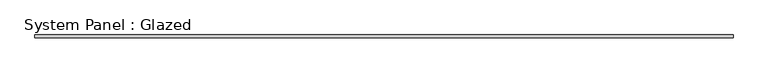
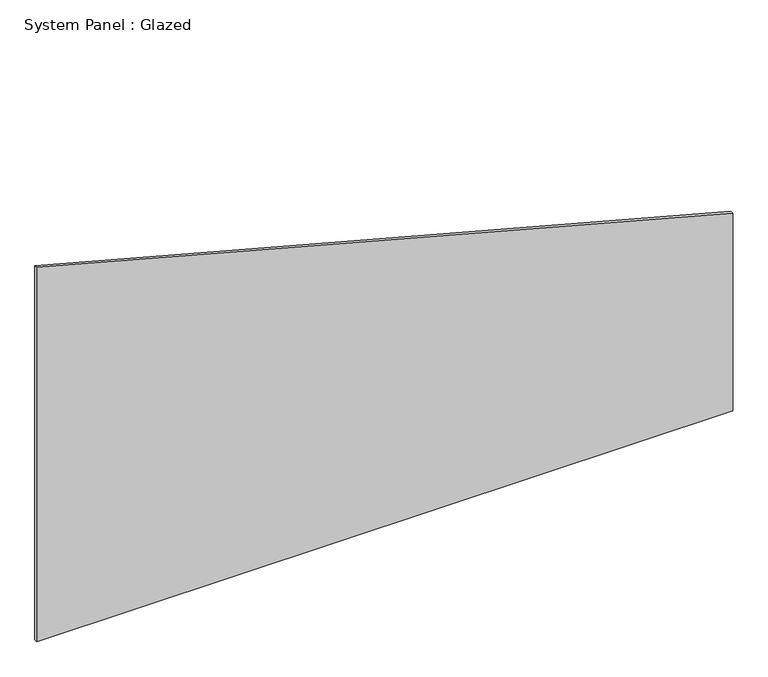
"""IFC4 building model written with IfcOpenShell, lengths in millimetres: plate geometry, System Panel : Glazed."""

import ifcopenshell
import ifcopenshell.guid

model = None  # the IFC model being written
_history = None  # IfcOwnerHistory: only IFC2X3 demands one
_inside = {}  # id of a spatial element -> (the spatial element, [elements in it])
_under = {}  # id of a project, library or spatial element -> (it, [spatial elements below it])
_declared = {}  # id of a project -> (the project, [libraries it declares])
_typed = {}  # id of a type object -> (the type object, [elements of that type])
_made_of = {}  # id of a material, layer set ... -> (it, [elements and type objects made of it])


def new_model(schema):
    """Start an empty IFC model of exactly this schema.

    Asked for "IFC4X3", IfcOpenShell would pick the latest addendum, in which some entities
    have other attributes; the version numbers below select the first issue.
    IFC2X3 requires an IfcOwnerHistory on every rooted entity: one is made here for all.
    """
    global model, _history
    if schema == "IFC4X3":
        model = ifcopenshell.file(schema_version=(4, 3, 0, 0))
    else:
        model = ifcopenshell.file(schema=schema)
    _inside.clear()
    _under.clear()
    _declared.clear()
    _typed.clear()
    _made_of.clear()
    _history = None
    if model.schema == "IFC2X3":
        org = make("IfcOrganization", Name="unknown")
        user = make(
            "IfcPersonAndOrganization",
            ThePerson=make("IfcPerson", FamilyName="unknown"),
            TheOrganization=org,
        )
        app = make(
            "IfcApplication",
            ApplicationDeveloper=org,
            Version="unknown",
            ApplicationFullName="unknown",
            ApplicationIdentifier="unknown",
        )
        _history = make(
            "IfcOwnerHistory",
            OwningUser=user,
            OwningApplication=app,
            ChangeAction="ADDED",
            CreationDate=0,
        )
    return model


def make(cls, **values):
    """One entity of the class cls with the attributes given. An attribute that is None is left unset."""
    return model.create_entity(
        cls, **{name: value for name, value in values.items() if value is not None}
    )


def rooted(cls, **values):
    """An entity with a GlobalId (a new one), such as an element, a storey or a relation."""
    return make(cls, GlobalId=ifcopenshell.guid.new(), OwnerHistory=_history, **values)


def si_unit(unit_type, name, prefix=None):
    """IfcSIUnit, for example si_unit("LENGTHUNIT", "METRE", prefix="MILLI")."""
    return make("IfcSIUnit", UnitType=unit_type, Prefix=prefix, Name=name)


def assignment(units):
    """IfcUnitAssignment: the units of a project."""
    return None if units is None else make("IfcUnitAssignment", Units=units)


def point(xyz):
    """IfcCartesianPoint."""
    return None if xyz is None else make("IfcCartesianPoint", Coordinates=xyz)


def direction(xyz):
    """IfcDirection."""
    return None if xyz is None else make("IfcDirection", DirectionRatios=xyz)


def frame(location, z_axis=None, x_axis=None):
    """IfcAxis2Placement3D, a coordinate frame: its origin and axes. An axis left out is left unset."""
    return make(
        "IfcAxis2Placement3D",
        Location=point(location),
        Axis=direction(z_axis),
        RefDirection=direction(x_axis),
    )


def origin():
    """The frame at (0, 0, 0) with its axes left unset."""
    return frame((0.0, 0.0, 0.0))


def place(relative_to, where):
    """IfcLocalPlacement: puts the frame where relative to a parent placement (None: the world)."""
    return make(
        "IfcLocalPlacement", PlacementRelTo=relative_to, RelativePlacement=where
    )


def context(
    kind, dimensions, precision=None, world=None, true_north=None, identifier=None
):
    """IfcGeometricRepresentationContext, for example the 3D "Model" context."""
    return make(
        "IfcGeometricRepresentationContext",
        ContextIdentifier=identifier,
        ContextType=kind,
        CoordinateSpaceDimension=dimensions,
        Precision=precision,
        WorldCoordinateSystem=world,
        TrueNorth=true_north,
    )


def project(units=None, contexts=None):
    """IfcProject with its units and contexts."""
    return rooted(
        "IfcProject",
        Name="project",
        RepresentationContexts=contexts,
        UnitsInContext=assignment(units),
    )


def spatial(cls, under=None, at=None, **own):
    """A site, building, storey or space (cls), placed at a placement, below another one or the project."""
    s = rooted(cls, ObjectPlacement=at, **own)
    if under is not None:
        _under.setdefault(under.id(), (under, []))[1].append(s)
    return s


def polyline(points):
    """IfcPolyline through the points."""
    return make("IfcPolyline", Points=[point(p) for p in points])


def outline(outer, holes=None, kind="AREA"):
    """IfcArbitraryClosedProfileDef: a profile drawn as a closed curve; with holes, ...WithVoids."""
    if holes is None:
        return make("IfcArbitraryClosedProfileDef", ProfileType=kind, OuterCurve=outer)
    return make(
        "IfcArbitraryProfileDefWithVoids",
        ProfileType=kind,
        OuterCurve=outer,
        InnerCurves=holes,
    )


def extrude(swept, where, along, depth):
    """IfcExtrudedAreaSolid: the profile swept, set in the frame where, extruded along a direction by depth."""
    return make(
        "IfcExtrudedAreaSolid",
        SweptArea=swept,
        Position=where,
        ExtrudedDirection=direction(along),
        Depth=depth,
    )


def shape(context_of_items, identifier, shape_type, items):
    """IfcShapeRepresentation: the items that make up one representation, for example the "Body"."""
    return make(
        "IfcShapeRepresentation",
        ContextOfItems=context_of_items,
        RepresentationIdentifier=identifier,
        RepresentationType=shape_type,
        Items=items,
    )


def source(mapping_origin, context_of_items, identifier, shape_type, items):
    """IfcRepresentationMap: a shape defined once, which mapped items show again and again."""
    return make(
        "IfcRepresentationMap",
        MappingOrigin=mapping_origin,
        MappedRepresentation=shape(context_of_items, identifier, shape_type, items),
    )


def transform(
    local_origin,
    x_axis=None,
    y_axis=None,
    z_axis=None,
    scale=None,
    scale2=None,
    scale3=None,
    uniform=True,
):
    """IfcCartesianTransformationOperator3D, or its non-uniform kind. x_axis, y_axis, z_axis: its Axis1, 2, 3."""
    if uniform:
        return make(
            "IfcCartesianTransformationOperator3D",
            Axis1=direction(x_axis),
            Axis2=direction(y_axis),
            LocalOrigin=point(local_origin),
            Scale=scale,
            Axis3=direction(z_axis),
        )
    return make(
        "IfcCartesianTransformationOperator3DnonUniform",
        Axis1=direction(x_axis),
        Axis2=direction(y_axis),
        LocalOrigin=point(local_origin),
        Scale=scale,
        Axis3=direction(z_axis),
        Scale2=scale2,
        Scale3=scale3,
    )


def mapped(mapping_source, mapping_target):
    """IfcMappedItem: shows the shape of a source again, moved by a transform."""
    return make(
        "IfcMappedItem", MappingSource=mapping_source, MappingTarget=mapping_target
    )


def made_of(thing, what):
    """Note that an element or type object is made of a material, layer set ...; save() writes the relation."""
    if what is not None:
        _made_of.setdefault(what.id(), (what, []))[1].append(thing)
    return thing


def element(
    cls,
    number,
    at=None,
    inside=None,
    cuts=None,
    type_object=None,
    material=None,
    context=None,
    identifier="Body",
    shape_type=None,
    held_by="IfcProductDefinitionShape",
    body=None,
    shapes=None,
    **own,
):
    """One element of the class cls, such as IfcWall. Its Tag is "e" and its number.

    at: its placement. inside: the storey or other place that contains it. cuts: it is an
    opening in that element (IfcRelVoidsElement). A single representation is given by context,
    identifier, shape_type and body (its items); several are given by shapes. held_by: the class
    of the entity that holds the representations. save() writes the other relations.
    """
    e = rooted(cls, Tag="e%d" % number, ObjectPlacement=at, **own)
    if body is not None:
        shapes = [shape(context, identifier, shape_type, body)]
    if shapes is not None:
        e.Representation = make(held_by, Representations=shapes)
    if inside is not None:
        _inside.setdefault(inside.id(), (inside, []))[1].append(e)
    if cuts is not None:
        rooted(
            "IfcRelVoidsElement", RelatingBuildingElement=cuts, RelatedOpeningElement=e
        )
    if type_object is not None:
        _typed.setdefault(type_object.id(), (type_object, []))[1].append(e)
    return made_of(e, material)


def aggregate(whole, parts):
    """IfcRelAggregates: a whole, such as a stair, and the parts it consists of."""
    return rooted("IfcRelAggregates", RelatingObject=whole, RelatedObjects=parts)


def save(model, path):
    """Write the relations noted so far, then the file.

    IfcRelAggregates (storeys below a building ...), IfcRelContainedInSpatialStructure (elements
    in a storey), IfcRelDefinesByType, IfcRelAssociatesMaterial and IfcRelDeclares: one each for
    every whole, place, type object, material and project.
    """
    for whole, parts in _under.values():
        aggregate(whole, parts)
    for where, things in _inside.values():
        rooted(
            "IfcRelContainedInSpatialStructure",
            RelatedElements=things,
            RelatingStructure=where,
        )
    for kind, things in _typed.values():
        rooted("IfcRelDefinesByType", RelatedObjects=things, RelatingType=kind)
    for what, things in _made_of.values():
        rooted("IfcRelAssociatesMaterial", RelatedObjects=things, RelatingMaterial=what)
    for by, libraries in _declared.values():
        rooted("IfcRelDeclares", RelatingContext=by, RelatedDefinitions=libraries)
    model.write(path)


def system_panel_glazed_0829a587(model_context):
    return source(origin(), model_context, "Body", "SweptSolid", [
        extrude(outline(polyline([(0.0, -2925.0), (0.0, 2925.0), (1756.8295051, 2925.0), (3324.3322809, -2925.0), (0.0, -2925.0)])), frame((0.0, -2.5, 0.0), z_axis=(0.0, 1.0, 0.0), x_axis=(0.0, 0.0, 1.0)), (0.0, 0.0, 1.0), 25.0),
    ])


if __name__ == "__main__":
    model = new_model("IFC4")
    model_context = context("Model", 3, world=origin())
    ifc_project = project(units=[si_unit("LENGTHUNIT", "METRE", prefix="MILLI")], contexts=[model_context])
    site = spatial("IfcSite", under=ifc_project)
    building = spatial("IfcBuilding", under=site)
    placement = place(None, origin())
    system_panel_glazed_shape = system_panel_glazed_0829a587(model_context)
    element("IfcPlate", 1, ObjectType="System Panel : Glazed", at=placement, inside=building, context=model_context, shape_type="MappedRepresentation", body=[
        mapped(system_panel_glazed_shape, transform((0.0, 0.0, 0.0), x_axis=(1.0, 0.0, 0.0), y_axis=(0.0, 1.0, 0.0), z_axis=(0.0, 0.0, 1.0))),
    ])
    save(model, "model.ifc")
